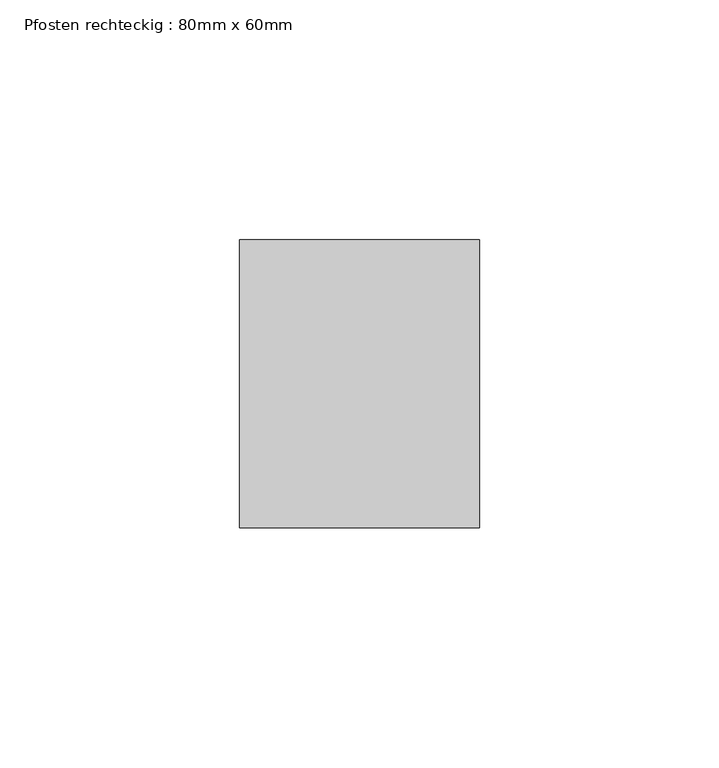
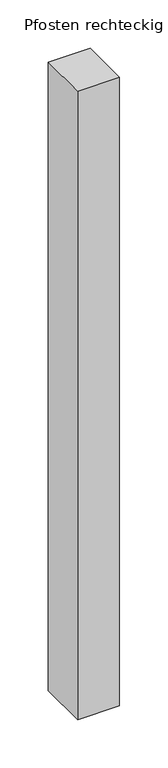
"""IFC4 building model written with IfcOpenShell, lengths in millimetres: member geometry, Pfosten rechteckig : 80mm x 60mm."""

import ifcopenshell
import ifcopenshell.guid

model = None  # the IFC model being written
_history = None  # IfcOwnerHistory: only IFC2X3 demands one
_inside = {}  # id of a spatial element -> (the spatial element, [elements in it])
_under = {}  # id of a project, library or spatial element -> (it, [spatial elements below it])
_declared = {}  # id of a project -> (the project, [libraries it declares])
_typed = {}  # id of a type object -> (the type object, [elements of that type])
_made_of = {}  # id of a material, layer set ... -> (it, [elements and type objects made of it])


def new_model(schema):
    """Start an empty IFC model of exactly this schema.

    Asked for "IFC4X3", IfcOpenShell would pick the latest addendum, in which some entities
    have other attributes; the version numbers below select the first issue.
    IFC2X3 requires an IfcOwnerHistory on every rooted entity: one is made here for all.
    """
    global model, _history
    if schema == "IFC4X3":
        model = ifcopenshell.file(schema_version=(4, 3, 0, 0))
    else:
        model = ifcopenshell.file(schema=schema)
    _inside.clear()
    _under.clear()
    _declared.clear()
    _typed.clear()
    _made_of.clear()
    _history = None
    if model.schema == "IFC2X3":
        org = make("IfcOrganization", Name="unknown")
        user = make(
            "IfcPersonAndOrganization",
            ThePerson=make("IfcPerson", FamilyName="unknown"),
            TheOrganization=org,
        )
        app = make(
            "IfcApplication",
            ApplicationDeveloper=org,
            Version="unknown",
            ApplicationFullName="unknown",
            ApplicationIdentifier="unknown",
        )
        _history = make(
            "IfcOwnerHistory",
            OwningUser=user,
            OwningApplication=app,
            ChangeAction="ADDED",
            CreationDate=0,
        )
    return model


def make(cls, **values):
    """One entity of the class cls with the attributes given. An attribute that is None is left unset."""
    return model.create_entity(
        cls, **{name: value for name, value in values.items() if value is not None}
    )


def rooted(cls, **values):
    """An entity with a GlobalId (a new one), such as an element, a storey or a relation."""
    return make(cls, GlobalId=ifcopenshell.guid.new(), OwnerHistory=_history, **values)


def si_unit(unit_type, name, prefix=None):
    """IfcSIUnit, for example si_unit("LENGTHUNIT", "METRE", prefix="MILLI")."""
    return make("IfcSIUnit", UnitType=unit_type, Prefix=prefix, Name=name)


def assignment(units):
    """IfcUnitAssignment: the units of a project."""
    return None if units is None else make("IfcUnitAssignment", Units=units)


def point(xyz):
    """IfcCartesianPoint."""
    return None if xyz is None else make("IfcCartesianPoint", Coordinates=xyz)


def direction(xyz):
    """IfcDirection."""
    return None if xyz is None else make("IfcDirection", DirectionRatios=xyz)


def frame(location, z_axis=None, x_axis=None):
    """IfcAxis2Placement3D, a coordinate frame: its origin and axes. An axis left out is left unset."""
    return make(
        "IfcAxis2Placement3D",
        Location=point(location),
        Axis=direction(z_axis),
        RefDirection=direction(x_axis),
    )


def origin():
    """The frame at (0, 0, 0) with its axes left unset."""
    return frame((0.0, 0.0, 0.0))


def place(relative_to, where):
    """IfcLocalPlacement: puts the frame where relative to a parent placement (None: the world)."""
    return make(
        "IfcLocalPlacement", PlacementRelTo=relative_to, RelativePlacement=where
    )


def context(
    kind, dimensions, precision=None, world=None, true_north=None, identifier=None
):
    """IfcGeometricRepresentationContext, for example the 3D "Model" context."""
    return make(
        "IfcGeometricRepresentationContext",
        ContextIdentifier=identifier,
        ContextType=kind,
        CoordinateSpaceDimension=dimensions,
        Precision=precision,
        WorldCoordinateSystem=world,
        TrueNorth=true_north,
    )


def project(units=None, contexts=None):
    """IfcProject with its units and contexts."""
    return rooted(
        "IfcProject",
        Name="project",
        RepresentationContexts=contexts,
        UnitsInContext=assignment(units),
    )


def spatial(cls, under=None, at=None, **own):
    """A site, building, storey or space (cls), placed at a placement, below another one or the project."""
    s = rooted(cls, ObjectPlacement=at, **own)
    if under is not None:
        _under.setdefault(under.id(), (under, []))[1].append(s)
    return s


def polyline(points):
    """IfcPolyline through the points."""
    return make("IfcPolyline", Points=[point(p) for p in points])


def outline(outer, holes=None, kind="AREA"):
    """IfcArbitraryClosedProfileDef: a profile drawn as a closed curve; with holes, ...WithVoids."""
    if holes is None:
        return make("IfcArbitraryClosedProfileDef", ProfileType=kind, OuterCurve=outer)
    return make(
        "IfcArbitraryProfileDefWithVoids",
        ProfileType=kind,
        OuterCurve=outer,
        InnerCurves=holes,
    )


def extrude(swept, where, along, depth):
    """IfcExtrudedAreaSolid: the profile swept, set in the frame where, extruded along a direction by depth."""
    return make(
        "IfcExtrudedAreaSolid",
        SweptArea=swept,
        Position=where,
        ExtrudedDirection=direction(along),
        Depth=depth,
    )


def shape(context_of_items, identifier, shape_type, items):
    """IfcShapeRepresentation: the items that make up one representation, for example the "Body"."""
    return make(
        "IfcShapeRepresentation",
        ContextOfItems=context_of_items,
        RepresentationIdentifier=identifier,
        RepresentationType=shape_type,
        Items=items,
    )


def source(mapping_origin, context_of_items, identifier, shape_type, items):
    """IfcRepresentationMap: a shape defined once, which mapped items show again and again."""
    return make(
        "IfcRepresentationMap",
        MappingOrigin=mapping_origin,
        MappedRepresentation=shape(context_of_items, identifier, shape_type, items),
    )


def transform(
    local_origin,
    x_axis=None,
    y_axis=None,
    z_axis=None,
    scale=None,
    scale2=None,
    scale3=None,
    uniform=True,
):
    """IfcCartesianTransformationOperator3D, or its non-uniform kind. x_axis, y_axis, z_axis: its Axis1, 2, 3."""
    if uniform:
        return make(
            "IfcCartesianTransformationOperator3D",
            Axis1=direction(x_axis),
            Axis2=direction(y_axis),
            LocalOrigin=point(local_origin),
            Scale=scale,
            Axis3=direction(z_axis),
        )
    return make(
        "IfcCartesianTransformationOperator3DnonUniform",
        Axis1=direction(x_axis),
        Axis2=direction(y_axis),
        LocalOrigin=point(local_origin),
        Scale=scale,
        Axis3=direction(z_axis),
        Scale2=scale2,
        Scale3=scale3,
    )


def mapped(mapping_source, mapping_target):
    """IfcMappedItem: shows the shape of a source again, moved by a transform."""
    return make(
        "IfcMappedItem", MappingSource=mapping_source, MappingTarget=mapping_target
    )


def made_of(thing, what):
    """Note that an element or type object is made of a material, layer set ...; save() writes the relation."""
    if what is not None:
        _made_of.setdefault(what.id(), (what, []))[1].append(thing)
    return thing


def element(
    cls,
    number,
    at=None,
    inside=None,
    cuts=None,
    type_object=None,
    material=None,
    context=None,
    identifier="Body",
    shape_type=None,
    held_by="IfcProductDefinitionShape",
    body=None,
    shapes=None,
    **own,
):
    """One element of the class cls, such as IfcWall. Its Tag is "e" and its number.

    at: its placement. inside: the storey or other place that contains it. cuts: it is an
    opening in that element (IfcRelVoidsElement). A single representation is given by context,
    identifier, shape_type and body (its items); several are given by shapes. held_by: the class
    of the entity that holds the representations. save() writes the other relations.
    """
    e = rooted(cls, Tag="e%d" % number, ObjectPlacement=at, **own)
    if body is not None:
        shapes = [shape(context, identifier, shape_type, body)]
    if shapes is not None:
        e.Representation = make(held_by, Representations=shapes)
    if inside is not None:
        _inside.setdefault(inside.id(), (inside, []))[1].append(e)
    if cuts is not None:
        rooted(
            "IfcRelVoidsElement", RelatingBuildingElement=cuts, RelatedOpeningElement=e
        )
    if type_object is not None:
        _typed.setdefault(type_object.id(), (type_object, []))[1].append(e)
    return made_of(e, material)


def aggregate(whole, parts):
    """IfcRelAggregates: a whole, such as a stair, and the parts it consists of."""
    return rooted("IfcRelAggregates", RelatingObject=whole, RelatedObjects=parts)


def save(model, path):
    """Write the relations noted so far, then the file.

    IfcRelAggregates (storeys below a building ...), IfcRelContainedInSpatialStructure (elements
    in a storey), IfcRelDefinesByType, IfcRelAssociatesMaterial and IfcRelDeclares: one each for
    every whole, place, type object, material and project.
    """
    for whole, parts in _under.values():
        aggregate(whole, parts)
    for where, things in _inside.values():
        rooted(
            "IfcRelContainedInSpatialStructure",
            RelatedElements=things,
            RelatingStructure=where,
        )
    for kind, things in _typed.values():
        rooted("IfcRelDefinesByType", RelatedObjects=things, RelatingType=kind)
    for what, things in _made_of.values():
        rooted("IfcRelAssociatesMaterial", RelatedObjects=things, RelatingMaterial=what)
    for by, libraries in _declared.values():
        rooted("IfcRelDeclares", RelatingContext=by, RelatedDefinitions=libraries)
    model.write(path)


def pfosten_rechteckig_80mm_x_60mm_85d5ca2e(model_context):
    return source(origin(), model_context, "Body", "SweptSolid", [
        extrude(outline(polyline([(25.0, 30.0), (25.0, -30.0), (-25.0, -30.0), (-25.0, 30.0), (25.0, 30.0)])), frame((0.0, 0.0, -791.6666667), z_axis=(0.0, 0.0, 1.0), x_axis=(1.0, 0.0, 0.0)), (0.0, 0.0, 1.0), 791.6666667),
    ])


if __name__ == "__main__":
    model = new_model("IFC4")
    model_context = context("Model", 3, world=origin())
    ifc_project = project(units=[si_unit("LENGTHUNIT", "METRE", prefix="MILLI")], contexts=[model_context])
    site = spatial("IfcSite", under=ifc_project)
    building = spatial("IfcBuilding", under=site)
    placement = place(None, origin())
    pfosten_rechteckig_80mm_x_60mm_shape = pfosten_rechteckig_80mm_x_60mm_85d5ca2e(model_context)
    element("IfcMember", 1, ObjectType="Pfosten rechteckig : 80mm x 60mm", at=placement, inside=building, context=model_context, shape_type="MappedRepresentation", body=[
        mapped(pfosten_rechteckig_80mm_x_60mm_shape, transform((0.0, 0.0, 0.0), x_axis=(1.0, 0.0, 0.0), y_axis=(0.0, 1.0, 0.0), z_axis=(0.0, 0.0, 1.0))),
    ])
    save(model, "model.ifc")
